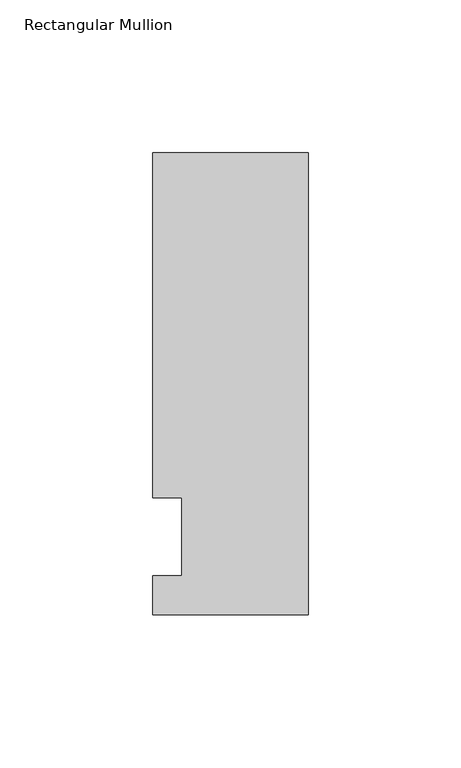
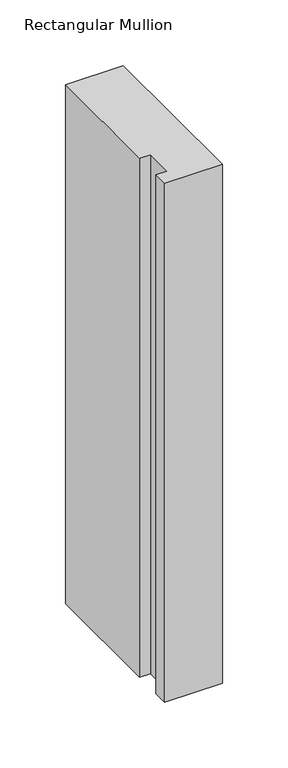
"""IFC4 building model written with IfcOpenShell, lengths in millimetres: member geometry, Rectangular Mullion."""

from ifc_helpers import new_model, si_unit, frame, origin, place, context, project, spatial, polyline, outline, extrude, source, transform, mapped, element, save


def rectangular_mullion_4d1da1f5(model_context):
    return source(origin(), model_context, "Body", "SweptSolid", [
        extrude(outline(polyline([(-50.8, -25.5984375), (-50.8, -12.7), (-41.275, -12.7), (-41.275, 12.7), (-50.8, 12.7), (-50.8, 125.6109375), (0.0, 125.6109375), (0.0, -25.5984375), (-50.8, -25.5984375)])), frame((0.0, 0.0, -482.6), z_axis=(0.0, 0.0, 1.0), x_axis=(1.0, 0.0, 0.0)), (0.0, 0.0, 1.0), 482.6),
    ])


if __name__ == "__main__":
    model = new_model("IFC4")
    model_context = context("Model", 3, world=origin())
    ifc_project = project(units=[si_unit("LENGTHUNIT", "METRE", prefix="MILLI")], contexts=[model_context])
    site = spatial("IfcSite", under=ifc_project)
    building = spatial("IfcBuilding", under=site)
    placement = place(None, origin())
    rectangular_mullion_shape = rectangular_mullion_4d1da1f5(model_context)
    element("IfcMember", 1, ObjectType="Rectangular Mullion", at=placement, inside=building, context=model_context, shape_type="MappedRepresentation", body=[
        mapped(rectangular_mullion_shape, transform((0.0, 0.0, 0.0), x_axis=(1.0, 0.0, 0.0), y_axis=(0.0, 1.0, 0.0), z_axis=(0.0, 0.0, 1.0))),
    ])
    save(model, "model.ifc")
